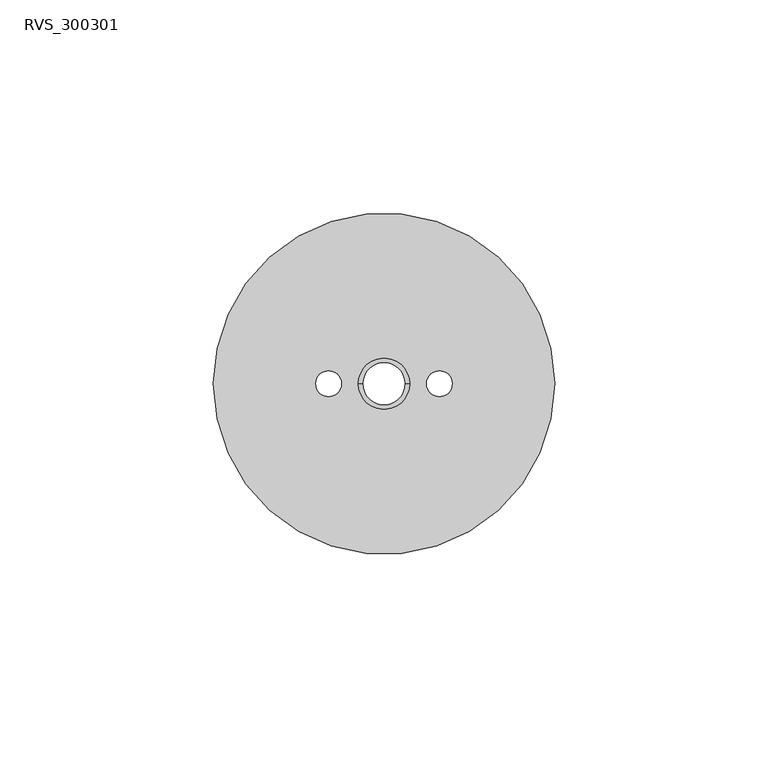
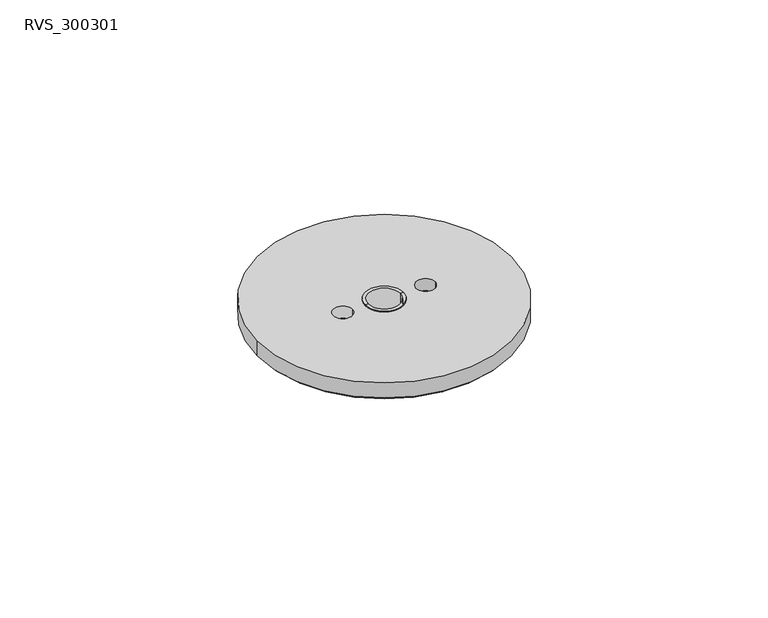
"""IFC4 building model written with IfcOpenShell, lengths in millimetres: proxy geometry, RVS_300301."""

from ifc_helpers import new_model, si_unit, frame, origin, origin_with_axes, place, context, project, spatial, polyline, circle_curve, source, transform, mapped, element, save
from ifc_brep_helpers import plane_surface, cylinder_surface, revolved_surface, advanced_brep


def rvs_300301_c1deb11d(model_context):
    return source(origin(), model_context, "Body", "AdvancedBrep", [
        advanced_brep(
        [(6.0, 0.0, -6.0), (-6.0, 0.0, -6.0), (-6.0, 0.0, 0.0), (6.0, 0.0, 0.0), (7.0, 0.0, -6.0), (-7.0, 0.0, -6.0), (7.0, 0.0, -7.0), (-7.0, 0.0, -7.0), (5.0, 0.0, -7.0), (-5.0, 0.0, -7.0), (5.0, 0.0, 0.0), (-5.0, 0.0, 0.0)],
        [
            (0, 1, circle_curve(frame((0.0, 0.0, -6.0), z_axis=(0.0, 0.0, 1.0), x_axis=(-1.0, 0.0, 0.0)), 6.0)),
            (1, 2),
            (2, 3, circle_curve(frame((0.0, 0.0, 0.0), z_axis=(0.0, 0.0, -1.0), x_axis=(-1.0, 0.0, 0.0)), 6.0)),
            (3, 0),
            (1, 0, circle_curve(frame((0.0, 0.0, -6.0), z_axis=(0.0, 0.0, 1.0), x_axis=(-1.0, 0.0, 0.0)), 6.0)),
            (3, 2, circle_curve(frame((0.0, 0.0, 0.0), z_axis=(0.0, 0.0, -1.0), x_axis=(-1.0, 0.0, 0.0)), 6.0)),
            (4, 5, circle_curve(frame((0.0, 0.0, -6.0), z_axis=(0.0, 0.0, 1.0), x_axis=(-1.0, 0.0, 0.0)), 7.0)),
            (5, 1),
            (0, 4),
            (5, 4, circle_curve(frame((0.0, 0.0, -6.0), z_axis=(0.0, 0.0, 1.0), x_axis=(-1.0, 0.0, 0.0)), 7.0)),
            (6, 7, circle_curve(frame((0.0, 0.0, -7.0), z_axis=(0.0, 0.0, 1.0), x_axis=(-1.0, 0.0, 0.0)), 7.0)),
            (7, 5),
            (4, 6),
            (7, 6, circle_curve(frame((0.0, 0.0, -7.0), z_axis=(0.0, 0.0, 1.0), x_axis=(-1.0, 0.0, 0.0)), 7.0)),
            (8, 9, circle_curve(frame((0.0, 0.0, -7.0), z_axis=(0.0, 0.0, 1.0), x_axis=(-1.0, 0.0, 0.0)), 5.0)),
            (9, 7),
            (6, 8),
            (9, 8, circle_curve(frame((0.0, 0.0, -7.0), z_axis=(0.0, 0.0, 1.0), x_axis=(-1.0, 0.0, 0.0)), 5.0)),
            (10, 11, circle_curve(frame((0.0, 0.0, 0.0), z_axis=(0.0, 0.0, 1.0), x_axis=(-1.0, 0.0, 0.0)), 5.0)),
            (11, 9),
            (8, 10),
            (11, 10, circle_curve(frame((0.0, 0.0, 0.0), z_axis=(0.0, 0.0, 1.0), x_axis=(-1.0, 0.0, 0.0)), 5.0)),
            (2, 11),
            (10, 3),
        ],
        [
            cylinder_surface(frame((0.0, 0.0, 0.5433419), z_axis=(0.0, 0.0, -1.0), x_axis=(-1.0, 0.0, 0.0)), 6.0),
            plane_surface(frame((0.0, 0.0, -6.0), z_axis=(0.0, 0.0, 1.0), x_axis=(-1.0, 0.0, 0.0))),
            cylinder_surface(frame((0.0, 0.0, 0.5433419), z_axis=(0.0, 0.0, -1.0), x_axis=(-1.0, 0.0, 0.0)), 7.0),
            plane_surface(frame((0.0, 0.0, -7.0), z_axis=(0.0, 0.0, -1.0), x_axis=(-1.0, 0.0, 0.0))),
            revolved_surface(polyline([(-5.0, 0.0, -7.0), (-5.0, 0.0, 0.0)]), (0.0, 0.0, 0.5433419), (0.0, 0.0, -1.0)),
            plane_surface(frame((0.0, 0.0, 0.0), z_axis=(0.0, 0.0, 1.0), x_axis=(-1.0, 0.0, 0.0))),
        ],
        [
            (0, [[1, 2, 3, 4]]),
            (0, [[5, -4, 6, -2]]),
            (1, [[7, 8, -1, 9]]),
            (1, [[10, -9, -5, -8]]),
            (2, [[11, 12, -7, 13]]),
            (2, [[14, -13, -10, -12]]),
            (3, [[15, 16, -11, 17]]),
            (3, [[18, -17, -14, -16]]),
            (4, [[19, 20, -15, 21]]),
            (4, [[22, -21, -18, -20]]),
            (5, [[-3, 23, -19, 24]]),
            (5, [[-6, -24, -22, -23]]),
        ],
    ),
        advanced_brep(
        [(-40.0, 0.0, 0.0), (40.0, 0.0, 0.0), (6.0, 0.0, 0.0), (-6.0, 0.0, 0.0), (-16.0, 0.0, 0.0), (-10.0, 0.0, 0.0), (10.0, 0.0, 0.0), (16.0, 0.0, 0.0), (-39.0, 0.0, -6.0), (39.0, 0.0, -6.0), (-6.0, 0.0, -6.0), (6.0, 0.0, -6.0), (-8.0, 0.0, -6.0), (-18.0, 0.0, -6.0), (18.0, 0.0, -6.0), (8.0, 0.0, -6.0), (-10.0, 0.0, -4.0), (-16.0, 0.0, -4.0), (-40.0, 0.0, -5.0), (40.0, 0.0, -5.0), (10.0, 0.0, -4.0), (16.0, 0.0, -4.0)],
        [
            (0, 1, circle_curve(origin_with_axes(), 40.0)),
            (1, 0, circle_curve(origin_with_axes(), 40.0)),
            (2, 3, circle_curve(frame((0.0, 0.0, 0.0), z_axis=(0.0, 0.0, -1.0), x_axis=(1.0, 0.0, 0.0)), 6.0)),
            (3, 2, circle_curve(frame((0.0, 0.0, 0.0), z_axis=(0.0, 0.0, -1.0), x_axis=(1.0, 0.0, 0.0)), 6.0)),
            (4, 5, circle_curve(frame((-13.0, 0.0, 0.0), z_axis=(0.0, 0.0, -1.0), x_axis=(-1.0, 0.0, 0.0)), 3.0)),
            (5, 4, circle_curve(frame((-13.0, 0.0, 0.0), z_axis=(0.0, 0.0, -1.0), x_axis=(-1.0, 0.0, 0.0)), 3.0)),
            (6, 7, circle_curve(frame((13.0, 0.0, 0.0), z_axis=(0.0, 0.0, -1.0), x_axis=(1.0, 0.0, 0.0)), 3.0)),
            (7, 6, circle_curve(frame((13.0, 0.0, 0.0), z_axis=(0.0, 0.0, -1.0), x_axis=(1.0, 0.0, 0.0)), 3.0)),
            (8, 9, circle_curve(frame((0.0, 0.0, -6.0), z_axis=(0.0, 0.0, -1.0), x_axis=(1.0, 0.0, 0.0)), 39.0)),
            (9, 8, circle_curve(frame((0.0, 0.0, -6.0), z_axis=(0.0, 0.0, -1.0), x_axis=(-1.0, 0.0, 0.0)), 39.0)),
            (10, 11, circle_curve(frame((0.0, 0.0, -6.0), z_axis=(0.0, 0.0, 1.0), x_axis=(1.0, 0.0, 0.0)), 6.0)),
            (11, 10, circle_curve(frame((0.0, 0.0, -6.0), z_axis=(0.0, 0.0, 1.0), x_axis=(1.0, 0.0, 0.0)), 6.0)),
            (12, 13, circle_curve(frame((-13.0, 0.0, -6.0), z_axis=(0.0, 0.0, 1.0), x_axis=(-1.0, 0.0, 0.0)), 5.0)),
            (13, 12, circle_curve(frame((-13.0, 0.0, -6.0), z_axis=(0.0, 0.0, 1.0), x_axis=(-1.0, 0.0, 0.0)), 5.0)),
            (14, 15, circle_curve(frame((13.0, 0.0, -6.0), z_axis=(0.0, 0.0, 1.0), x_axis=(1.0, 0.0, 0.0)), 5.0)),
            (15, 14, circle_curve(frame((13.0, 0.0, -6.0), z_axis=(0.0, 0.0, 1.0), x_axis=(1.0, 0.0, 0.0)), 5.0)),
            (2, 11),
            (10, 3),
            (12, 16),
            (16, 17, circle_curve(frame((-13.0, 0.0, -4.0), z_axis=(0.0, 0.0, 1.0), x_axis=(-1.0, 0.0, 0.0)), 3.0)),
            (17, 13),
            (17, 16, circle_curve(frame((-13.0, 0.0, -4.0), z_axis=(0.0, 0.0, 1.0), x_axis=(-1.0, 0.0, 0.0)), 3.0)),
            (0, 18),
            (18, 19, circle_curve(frame((0.0, 0.0, -5.0), z_axis=(0.0, 0.0, 1.0), x_axis=(1.0, 0.0, 0.0)), 40.0)),
            (19, 1),
            (19, 18, circle_curve(frame((0.0, 0.0, -5.0), z_axis=(0.0, 0.0, 1.0), x_axis=(1.0, 0.0, 0.0)), 40.0)),
            (8, 18),
            (19, 9),
            (16, 5),
            (4, 17),
            (20, 15),
            (14, 21),
            (21, 20, circle_curve(frame((13.0, 0.0, -4.0), z_axis=(0.0, 0.0, 1.0), x_axis=(1.0, 0.0, 0.0)), 3.0)),
            (20, 21, circle_curve(frame((13.0, 0.0, -4.0), z_axis=(0.0, 0.0, 1.0), x_axis=(1.0, 0.0, 0.0)), 3.0)),
            (21, 7),
            (6, 20),
        ],
        [
            plane_surface(frame((40.0, 0.0, 0.0), z_axis=(0.0, 0.0, 1.0), x_axis=(0.0, 1.0, 0.0))),
            plane_surface(frame((40.0, 0.0, -6.0), z_axis=(0.0, 0.0, -1.0), x_axis=(0.0, -1.0, 0.0))),
            revolved_surface(polyline([(6.0, 0.0, 0.0), (6.0, 0.0, -6.0)]), (0.0, 0.0, -6.0), (0.0, 0.0, 1.0)),
            revolved_surface(polyline([(-18.0, 0.0, -6.0), (-16.0, 0.0, -4.0)]), (-13.0, 0.0, -4.0), (0.0, 0.0, -1.0)),
            cylinder_surface(frame((0.0, 0.0, -6.0), z_axis=(0.0, 0.0, 1.0), x_axis=(1.0, 0.0, 0.0)), 40.0),
            revolved_surface(polyline([(39.0, 0.0, -6.0), (40.0, 0.0, -5.0)]), (0.0, 0.0, -6.0), (0.0, 0.0, 1.0)),
            revolved_surface(polyline([(-39.0, 0.0, -6.0), (-40.0, 0.0, -5.0)]), (0.0, 0.0, -6.0), (0.0, 0.0, 1.0)),
            revolved_surface(polyline([(-16.0, 0.0, -4.0), (-16.0, 0.0, 0.0)]), (-13.0, 0.0, -4.0), (0.0, 0.0, -1.0)),
            revolved_surface(polyline([(16.0, 0.0, -4.0), (18.0, 0.0, -6.0)]), (13.0, 0.0, -4.0), (0.0, 0.0, 1.0)),
            revolved_surface(polyline([(16.0, 0.0, 0.0), (16.0, 0.0, -4.0)]), (13.0, 0.0, -4.0), (0.0, 0.0, 1.0)),
        ],
        [
            (0, [[1, 2], [3, 4], [5, 6], [7, 8]]),
            (1, [[9, 10], [11, 12], [13, 14], [15, 16]]),
            (2, [[17, -11, 18, -3]]),
            (2, [[-17, -4, -18, -12]]),
            (3, [[19, 20, 21, -13]]),
            (3, [[-19, -14, -21, 22]]),
            (4, [[-1, 23, 24, 25]]),
            (4, [[-2, -25, 26, -23]]),
            (5, [[27, -26, 28, -9]]),
            (6, [[-27, -10, -28, -24]]),
            (7, [[-20, 29, -5, 30]]),
            (7, [[-22, -30, -6, -29]]),
            (8, [[31, -15, 32, 33]]),
            (8, [[-31, 34, -32, -16]]),
            (9, [[-33, 35, -7, 36]]),
            (9, [[-34, -36, -8, -35]]),
        ],
    ),
    ])


if __name__ == "__main__":
    model = new_model("IFC4")
    model_context = context("Model", 3, world=origin())
    ifc_project = project(units=[si_unit("LENGTHUNIT", "METRE", prefix="MILLI")], contexts=[model_context])
    site = spatial("IfcSite", under=ifc_project)
    building = spatial("IfcBuilding", under=site)
    placement = place(None, origin())
    rvs_300301_shape = rvs_300301_c1deb11d(model_context)
    element("IfcBuildingElementProxy", 1, Name="RVS_300301", ObjectType="RVS_300301", at=placement, inside=building, context=model_context, shape_type="MappedRepresentation", body=[
        mapped(rvs_300301_shape, transform((0.0, 0.0, 0.0), x_axis=(1.0, 0.0, 0.0), y_axis=(0.0, 1.0, 0.0), z_axis=(0.0, 0.0, 1.0))),
    ])
    save(model, "model.ifc")
